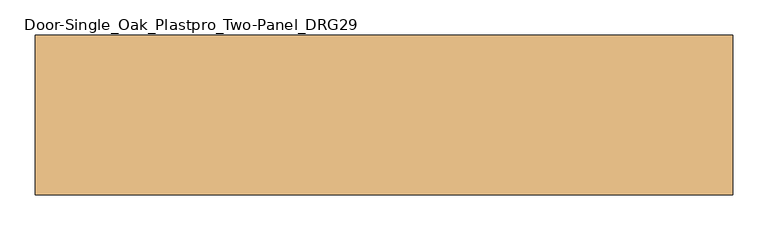
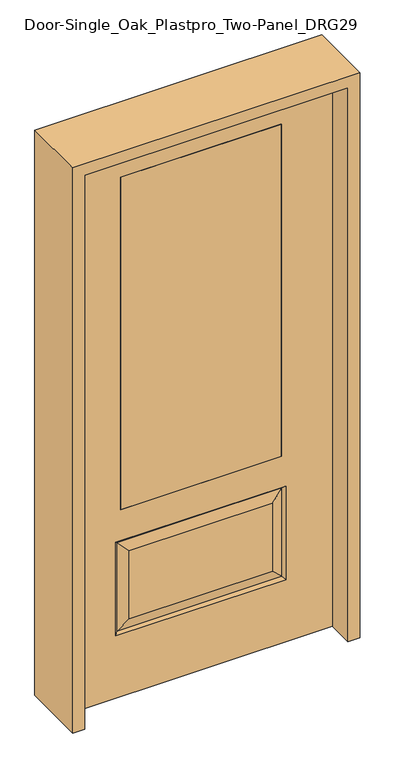
"""IFC4 building model written with IfcOpenShell, lengths in millimetres: door geometry, Door-Single_Oak_Plastpro_Two-Panel_DRG29."""

from ifc_helpers import new_model, si_unit, frame, origin, place, context, project, spatial, polyline, outline, extrude, faceted_brep, source, transform, mapped, element, save


def door_single_oak_plastpro_two_panel_drg29_e1256489(model_context):
    return source(origin(), model_context, "Body", "SolidModel", [
        extrude(outline(polyline([(-279.4, -20.6375), (-279.4, 20.6375), (279.4, 20.6375), (279.4, -20.6375), (-279.4, -20.6375)])), frame((0.0, 0.0, 685.8), z_axis=(0.0, 0.0, 1.0), x_axis=(1.0, 0.0, 0.0)), (0.0, 0.0, 1.0), 1219.2),
        faceted_brep([(-249.1224548, -20.6375, 274.7525452), (249.1224548, -20.6375, 274.7525452), (249.1224548, -20.6375, 525.3474548), (-249.1224548, -20.6375, 525.3474548), (457.2, -20.6375, 2032.0), (-457.2, -20.6375, 2032.0), (-457.2, -20.6375, 0.0), (457.2, -20.6375, 0.0), (295.1599548, -20.6375, 228.7150452), (-295.1599548, -20.6375, 228.7150452), (-295.1599548, -20.6375, 571.3849548), (295.1599548, -20.6375, 571.3849548), (-279.4, -20.6375, 1905.0), (279.4, -20.6375, 1905.0), (279.4, -20.6375, 685.8), (-279.4, -20.6375, 685.8), (-279.4, 20.6375, 1905.0), (-279.4, 20.6375, 685.8), (279.4, 20.6375, 685.8), (249.1224548, 20.6375, 274.7525452), (-249.1224548, 20.6375, 274.7525452), (-249.1224548, 20.6375, 525.3474548), (249.1224548, 20.6375, 525.3474548), (-457.2, 20.6375, 2032.0), (457.2, 20.6375, 2032.0), (457.2, 20.6375, 0.0), (-457.2, 20.6375, 0.0), (-295.1599548, 20.6375, 228.7150452), (295.1599548, 20.6375, 228.7150452), (295.1599548, 20.6375, 571.3849548), (-295.1599548, 20.6375, 571.3849548), (279.4, 20.6375, 1905.0), (286.1796986, -11.6572439, 237.6953014), (-286.1796986, -11.6572439, 237.6953014), (-286.1796986, -11.6572439, 562.4046986), (286.1796986, -11.6572439, 562.4046986), (286.1796986, 11.6572439, 237.6953014), (-286.1796986, 11.6572439, 237.6953014), (-286.1796986, 11.6572439, 562.4046986), (286.1796986, 11.6572439, 562.4046986)], [[[0, 1, 2, 3]], [[4, 5, 6, 7], [8, 9, 10, 11], [12, 13, 14, 15]], [[16, 12, 15, 17]], [[17, 15, 14, 18]], [[19, 20, 21, 22]], [[23, 24, 25, 26], [27, 28, 29, 30], [31, 16, 17, 18]], [[13, 31, 18, 14]], [[6, 26, 25, 7]], [[5, 23, 26, 6]], [[24, 4, 7, 25]], [[32, 33, 9, 8]], [[9, 33, 34, 10]], [[10, 34, 35, 11]], [[32, 8, 11, 35]], [[33, 32, 1, 0]], [[1, 32, 35, 2]], [[34, 3, 2, 35]], [[33, 0, 3, 34]], [[36, 37, 20, 19]], [[20, 37, 38, 21]], [[21, 38, 39, 22]], [[36, 19, 22, 39]], [[37, 36, 28, 27]], [[28, 36, 39, 29]], [[38, 30, 29, 39]], [[37, 27, 30, 38]], [[12, 16, 31, 13]], [[5, 4, 24, 23]]]),
        extrude(outline(polyline([(2073.275, -498.475), (0.0, -498.475), (0.0, -457.2), (2032.0, -457.2), (2032.0, 457.2), (0.0, 457.2), (0.0, 498.475), (2073.275, 498.475), (2073.275, -498.475)])), frame((0.0, -114.3, 0.0), z_axis=(0.0, 1.0, 0.0), x_axis=(0.0, 0.0, 1.0)), (0.0, 0.0, 1.0), 228.6),
    ])


if __name__ == "__main__":
    model = new_model("IFC4")
    model_context = context("Model", 3, world=origin())
    ifc_project = project(units=[si_unit("LENGTHUNIT", "METRE", prefix="MILLI")], contexts=[model_context])
    site = spatial("IfcSite", under=ifc_project)
    building = spatial("IfcBuilding", under=site)
    placement = place(None, origin())
    door_single_oak_plastpro_two_panel_drg29_shape = door_single_oak_plastpro_two_panel_drg29_e1256489(model_context)
    element("IfcDoor", 1, ObjectType="Door-Single_Oak_Plastpro_Two-Panel_DRG29", at=placement, inside=building, context=model_context, shape_type="MappedRepresentation", body=[
        mapped(door_single_oak_plastpro_two_panel_drg29_shape, transform((0.0, 0.0, 0.0), x_axis=(1.0, 0.0, 0.0), y_axis=(0.0, 1.0, 0.0), z_axis=(0.0, 0.0, 1.0))),
    ])
    save(model, "model.ifc")
